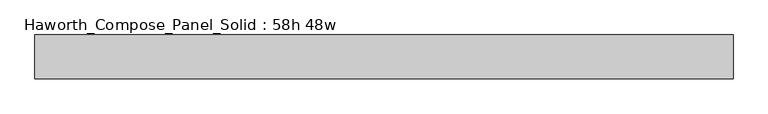
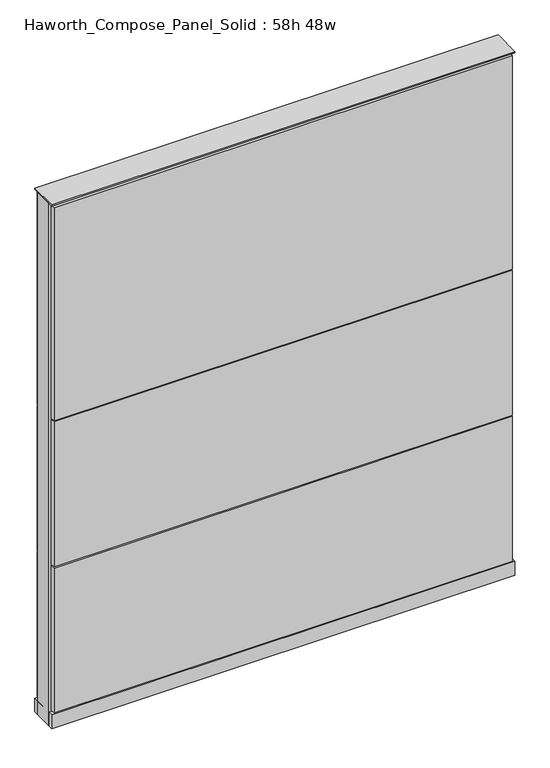
"""IFC4 building model written with IfcOpenShell, lengths in millimetres: furniture geometry, Haworth_Compose_Panel_Solid : 58h 48w."""

from ifc_helpers import new_model, si_unit, point, frame, frame_2d, origin, origin_with_axes, place, context, project, spatial, polyline, circle_curve, trimmed, segment, composite_curve, outline, extrude, source, transform, mapped, element, save


def haworth_compose_panel_solid_58h_48w_cc6dca1d(model_context):
    return source(origin(), model_context, "Body", "SweptSolid", [
        extrude(outline(composite_curve([segment(trimmed(circle_curve(frame_2d((-530.9597098, 0.0)), 12.7), [point((-543.6597098, 0.0))], [point((-518.2597098, 0.0))], False, "CARTESIAN"), True, "CONTINUOUS"), segment(trimmed(circle_curve(frame_2d((-530.9597098, 0.0)), 12.7), [point((-518.2597098, 0.0))], [point((-543.6597098, 0.0))], False, "CARTESIAN"), True, "CONTINUOUS")], self_intersect=False)), origin_with_axes(), (0.0, 0.0, 1.0), 12.7),
        extrude(outline(composite_curve([segment(trimmed(circle_curve(frame_2d((535.8402902, 0.0)), 12.7), [point((523.1402902, 0.0))], [point((548.5402902, 0.0))], False, "CARTESIAN"), True, "CONTINUOUS"), segment(trimmed(circle_curve(frame_2d((535.8402902, 0.0)), 12.7), [point((548.5402902, 0.0))], [point((523.1402902, 0.0))], False, "CARTESIAN"), True, "CONTINUOUS")], self_intersect=False)), origin_with_axes(), (0.0, 0.0, 1.0), 12.7),
        extrude(outline(polyline([(605.6902902, 38.1), (605.6902902, 25.4), (-600.8097098, 25.4), (-600.8097098, 38.1), (605.6902902, 38.1)])), frame((0.0, 0.0, 866.775), z_axis=(0.0, 0.0, 1.0), x_axis=(1.0, 0.0, 0.0)), (0.0, 0.0, 1.0), 593.725),
        extrude(outline(polyline([(605.6902902, 38.1), (605.6902902, 25.4), (-600.8097098, 25.4), (-600.8097098, 38.1), (605.6902902, 38.1)])), frame((0.0, 0.0, 460.375), z_axis=(0.0, 0.0, 1.0), x_axis=(1.0, 0.0, 0.0)), (0.0, 0.0, 1.0), 403.225),
        extrude(outline(polyline([(605.6902902, 38.1), (605.6902902, 25.4), (-600.8097098, 25.4), (-600.8097098, 38.1), (605.6902902, 38.1)])), frame((0.0, 0.0, 53.975), z_axis=(0.0, 0.0, 1.0), x_axis=(1.0, 0.0, 0.0)), (0.0, 0.0, 1.0), 403.225),
        extrude(outline(polyline([(605.6902902, -38.1), (-600.8097098, -38.1), (-600.8097098, -25.4), (605.6902902, -25.4), (605.6902902, -38.1)])), frame((0.0, 0.0, 866.775), z_axis=(0.0, 0.0, 1.0), x_axis=(1.0, 0.0, 0.0)), (0.0, 0.0, 1.0), 593.725),
        extrude(outline(polyline([(605.6902902, -38.1), (-600.8097098, -38.1), (-600.8097098, -25.4), (605.6902902, -25.4), (605.6902902, -38.1)])), frame((0.0, 0.0, 460.375), z_axis=(0.0, 0.0, 1.0), x_axis=(1.0, 0.0, 0.0)), (0.0, 0.0, 1.0), 403.225),
        extrude(outline(polyline([(605.6902902, -38.1), (-600.8097098, -38.1), (-600.8097098, -25.4), (605.6902902, -25.4), (605.6902902, -38.1)])), frame((0.0, 0.0, 53.975), z_axis=(0.0, 0.0, 1.0), x_axis=(1.0, 0.0, 0.0)), (0.0, 0.0, 1.0), 403.225),
        extrude(outline(polyline([(612.0402902, 25.4), (612.0402902, -25.4), (-607.1597098, -25.4), (-607.1597098, 25.4), (612.0402902, 25.4)])), frame((0.0, 0.0, 12.7), z_axis=(0.0, 0.0, 1.0), x_axis=(1.0, 0.0, 0.0)), (0.0, 0.0, 1.0), 1454.15),
        extrude(outline(polyline([(-607.1597098, -38.1), (-607.1597098, 38.1), (612.0402902, 38.1), (612.0402902, -38.1), (-607.1597098, -38.1)])), frame((0.0, 0.0, 12.7), z_axis=(0.0, 0.0, 1.0), x_axis=(1.0, 0.0, 0.0)), (0.0, 0.0, 1.0), 38.1),
        extrude(outline(polyline([(-607.1597098, -38.1), (-607.1597098, 38.1), (612.0402902, 38.1), (612.0402902, -38.1), (-607.1597098, -38.1)])), frame((0.0, 0.0, 1466.85), z_axis=(0.0, 0.0, 1.0), x_axis=(1.0, 0.0, 0.0)), (0.0, 0.0, 1.0), 3.175),
    ])


if __name__ == "__main__":
    model = new_model("IFC4")
    model_context = context("Model", 3, world=origin())
    ifc_project = project(units=[si_unit("LENGTHUNIT", "METRE", prefix="MILLI")], contexts=[model_context])
    site = spatial("IfcSite", under=ifc_project)
    building = spatial("IfcBuilding", under=site)
    placement = place(None, origin())
    haworth_compose_panel_solid_58h_48w_shape = haworth_compose_panel_solid_58h_48w_cc6dca1d(model_context)
    element("IfcFurniture", 1, ObjectType="Haworth_Compose_Panel_Solid : 58h 48w", at=placement, inside=building, context=model_context, shape_type="MappedRepresentation", body=[
        mapped(haworth_compose_panel_solid_58h_48w_shape, transform((0.0, 0.0, 0.0), x_axis=(1.0, 0.0, 0.0), y_axis=(0.0, 1.0, 0.0), z_axis=(0.0, 0.0, 1.0))),
    ])
    save(model, "model.ifc")
